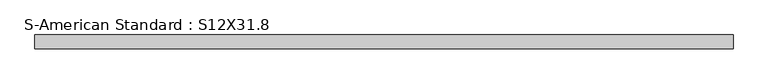
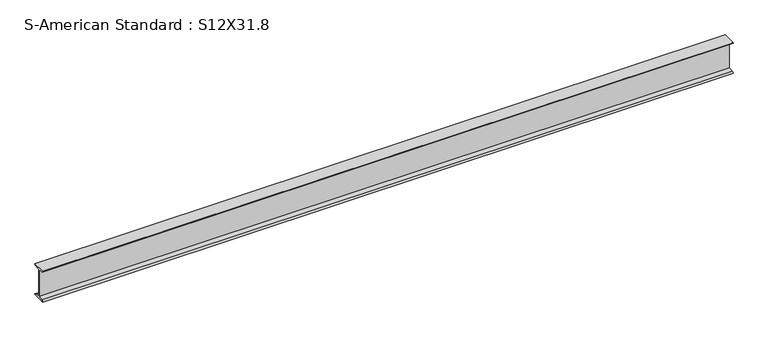
"""IFC4 building model written with IfcOpenShell, lengths in millimetres: beam geometry, S-American Standard : S12X31.8."""

from ifc_helpers import new_model, si_unit, point, frame, frame_2d, origin, place, context, project, spatial, polyline, circle_curve, trimmed, segment, composite_curve, outline, extrude, source, transform, mapped, element, save


def s_american_standard_s12x31_8_f3cd6094(model_context):
    return source(origin(), model_context, "Body", "SweptSolid", [
        extrude(outline(composite_curve([segment(polyline([(-63.5, 152.4), (63.5, 152.4)]), True, "CONTINUOUS"), segment(trimmed(circle_curve(frame_2d((49.7, 152.4)), 13.8), [point((63.5, 152.4))], [point((49.7, 138.6))], False, "CARTESIAN"), True, "CONTINUOUS"), segment(polyline([(49.7, 138.6), (4.45, 131.4331041), (4.45, -131.4331041), (49.7, -138.6)]), True, "CONTINUOUS"), segment(trimmed(circle_curve(frame_2d((49.7, -152.4)), 13.8), [point((49.7, -138.6))], [point((63.5, -152.4))], False, "CARTESIAN"), True, "CONTINUOUS"), segment(polyline([(63.5, -152.4), (-63.5, -152.4)]), True, "CONTINUOUS"), segment(trimmed(circle_curve(frame_2d((-49.7, -152.4)), 13.8), [point((-63.5, -152.4))], [point((-49.7, -138.6))], False, "CARTESIAN"), True, "CONTINUOUS"), segment(polyline([(-49.7, -138.6), (-4.45, -131.4331041), (-4.45, 131.4331041), (-49.7, 138.6)]), True, "CONTINUOUS"), segment(trimmed(circle_curve(frame_2d((-49.7, 152.4)), 13.8), [point((-49.7, 138.6))], [point((-63.5, 152.4))], False, "CARTESIAN"), True, "CONTINUOUS")], self_intersect=False)), frame((-3286.41785, 0.0, 0.0), z_axis=(1.0, 0.0, 0.0), x_axis=(0.0, 1.0, 0.0)), (0.0, 0.0, 1.0), 6468.4185439),
    ])


if __name__ == "__main__":
    model = new_model("IFC4")
    model_context = context("Model", 3, world=origin())
    ifc_project = project(units=[si_unit("LENGTHUNIT", "METRE", prefix="MILLI")], contexts=[model_context])
    site = spatial("IfcSite", under=ifc_project)
    building = spatial("IfcBuilding", under=site)
    placement = place(None, origin())
    s_american_standard_s12x31_8_shape = s_american_standard_s12x31_8_f3cd6094(model_context)
    element("IfcBeam", 1, ObjectType="S-American Standard : S12X31.8", at=placement, inside=building, context=model_context, shape_type="MappedRepresentation", body=[
        mapped(s_american_standard_s12x31_8_shape, transform((0.0, 0.0, 0.0), x_axis=(1.0, 0.0, 0.0), y_axis=(0.0, 1.0, 0.0), z_axis=(0.0, 0.0, 1.0))),
    ])
    save(model, "model.ifc")
